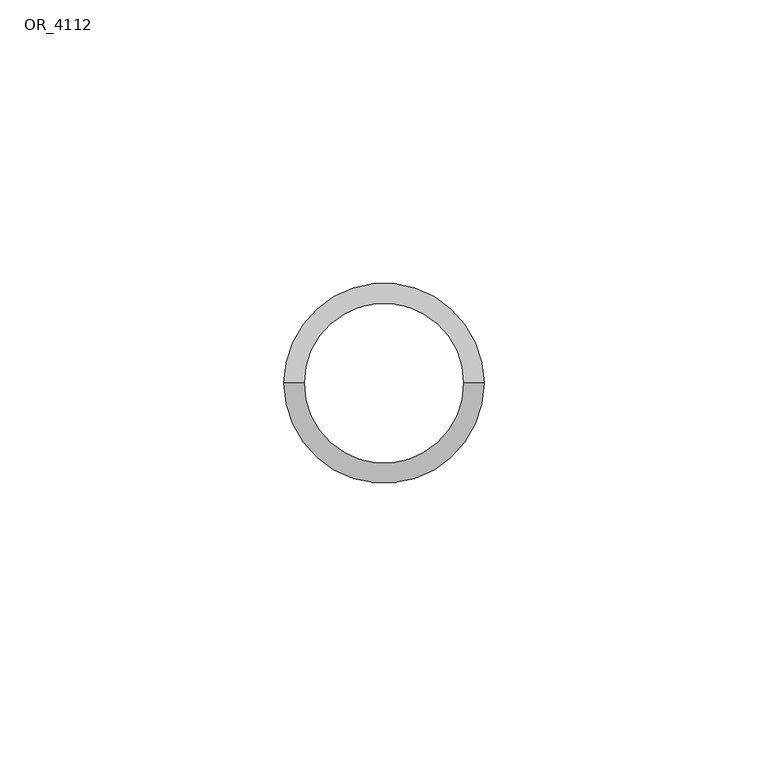
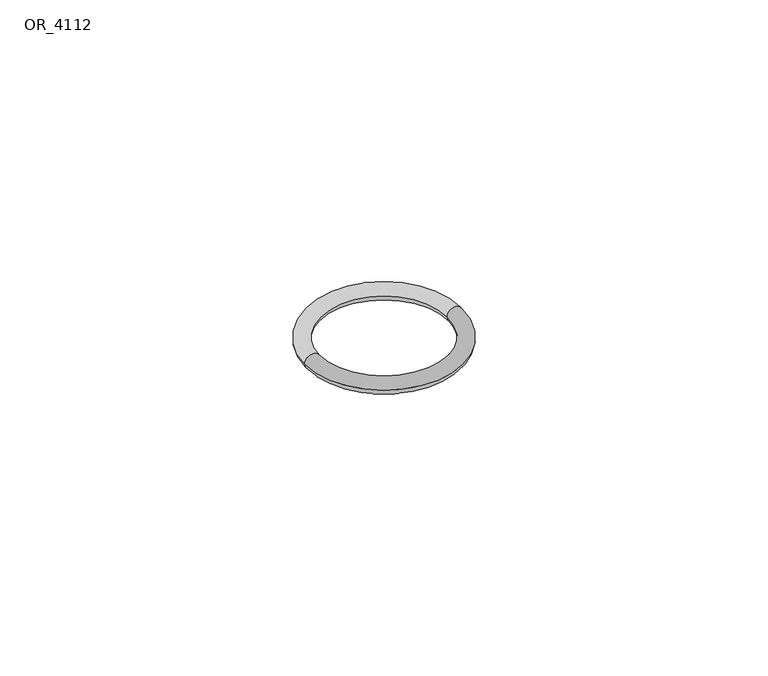
"""IFC4 building model written with IfcOpenShell, lengths in millimetres: proxy geometry, OR_4112."""

from ifc_helpers import new_model, si_unit, point, frame, origin, origin_with_axes, place, context, project, spatial, circle_curve, ellipse_curve, trimmed, source, transform, mapped, element, save
from ifc_brep_helpers import revolved_surface, advanced_brep


def or_4112_64a17145(model_context):
    return source(origin(), model_context, "Body", "AdvancedBrep", [
        advanced_brep(
        [(-17.615, 0.0, 0.0), (17.615, 0.0, 0.0), (14.085, 0.0, 0.0), (-14.085, 0.0, 0.0)],
        [
            (0, 1, circle_curve(frame((0.0, 0.0, 0.0), z_axis=(0.0, 0.0, 1.0), x_axis=(-1.0, 0.0, 0.0)), 17.615)),
            (1, 2, circle_curve(frame((15.85, 0.0, 0.0), z_axis=(0.0, -1.0, 0.0), x_axis=(1.0, 0.0, 0.0)), 1.765)),
            (2, 3, circle_curve(frame((0.0, 0.0, 0.0), z_axis=(0.0, 0.0, -1.0), x_axis=(-1.0, 0.0, 0.0)), 14.085)),
            (3, 0, circle_curve(frame((-15.85, 0.0, 0.0), z_axis=(0.0, -1.0, 0.0), x_axis=(-1.0, 0.0, 0.0)), 1.765)),
            (1, 0, circle_curve(origin_with_axes(), 17.615)),
            (3, 2, circle_curve(frame((0.0, 0.0, 0.0), z_axis=(0.0, 0.0, -1.0), x_axis=(1.0, 0.0, 0.0)), 14.085)),
            (1, 2, circle_curve(frame((15.85, 0.0, 0.0), z_axis=(0.0, 1.0, 0.0), x_axis=(1.0, 0.0, 0.0)), 1.765)),
            (3, 0, circle_curve(frame((-15.85, 0.0, 0.0), z_axis=(0.0, 1.0, 0.0), x_axis=(-1.0, 0.0, 0.0)), 1.765)),
        ],
        [
            revolved_surface(trimmed(ellipse_curve(frame((-15.85, 0.0, 0.0), z_axis=(0.0, 1.0, 0.0), x_axis=(-1.0, 0.0, 0.0)), 1.765, 1.765), [point((-17.615, 0.0, 0.0))], [point((-14.085, 0.0, 0.0))], True, "CARTESIAN"), (0.0, 0.0, 0.0), (0.0, 0.0, 1.0)),
            revolved_surface(trimmed(ellipse_curve(frame((15.85, 0.0, 0.0), z_axis=(0.0, -1.0, 0.0), x_axis=(1.0, 0.0, 0.0)), 1.765, 1.765), [point((17.615, 0.0, 0.0))], [point((14.085, 0.0, 0.0))], True, "CARTESIAN"), (0.0, 0.0, 0.0), (0.0, 0.0, 1.0)),
            revolved_surface(trimmed(ellipse_curve(frame((15.85, 0.0, 0.0), z_axis=(0.0, -1.0, 0.0), x_axis=(1.0, 0.0, 0.0)), 1.765, 1.765), [point((14.085, 0.0, 0.0))], [point((17.615, 0.0, 0.0))], True, "CARTESIAN"), (0.0, 0.0, 0.0), (0.0, 0.0, 1.0)),
            revolved_surface(trimmed(ellipse_curve(frame((-15.85, 0.0, 0.0), z_axis=(0.0, 1.0, 0.0), x_axis=(-1.0, 0.0, 0.0)), 1.765, 1.765), [point((-14.085, 0.0, 0.0))], [point((-17.615, 0.0, 0.0))], True, "CARTESIAN"), (0.0, 0.0, 0.0), (0.0, 0.0, 1.0)),
        ],
        [
            (0, [[1, 2, 3, 4]]),
            (1, [[5, -4, 6, -2]]),
            (2, [[-5, 7, -6, 8]]),
            (3, [[-1, -8, -3, -7]]),
        ],
    ),
    ])


if __name__ == "__main__":
    model = new_model("IFC4")
    model_context = context("Model", 3, world=origin())
    ifc_project = project(units=[si_unit("LENGTHUNIT", "METRE", prefix="MILLI")], contexts=[model_context])
    site = spatial("IfcSite", under=ifc_project)
    building = spatial("IfcBuilding", under=site)
    placement = place(None, origin())
    or_4112_shape = or_4112_64a17145(model_context)
    element("IfcBuildingElementProxy", 1, Name="OR_4112", ObjectType="OR_4112", at=placement, inside=building, context=model_context, shape_type="MappedRepresentation", body=[
        mapped(or_4112_shape, transform((0.0, 0.0, 0.0), x_axis=(1.0, 0.0, 0.0), y_axis=(0.0, 1.0, 0.0), z_axis=(0.0, 0.0, 1.0))),
    ])
    save(model, "model.ifc")
